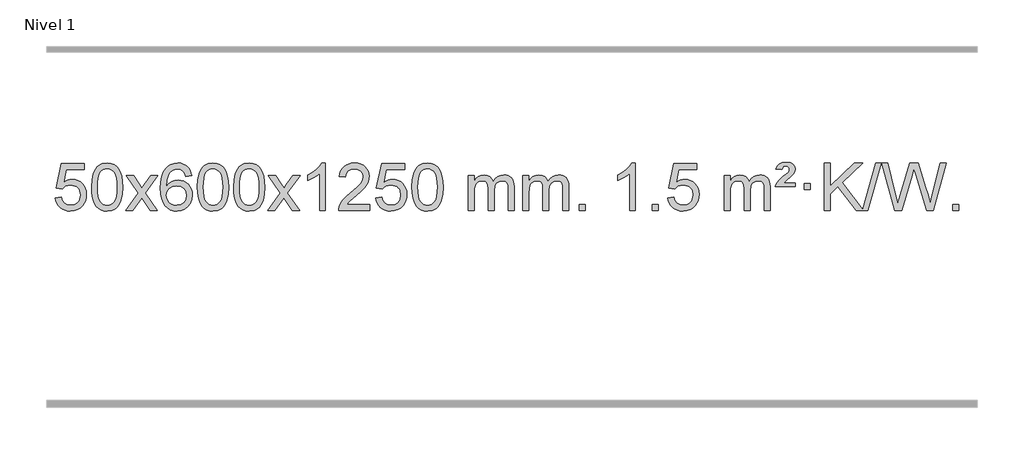
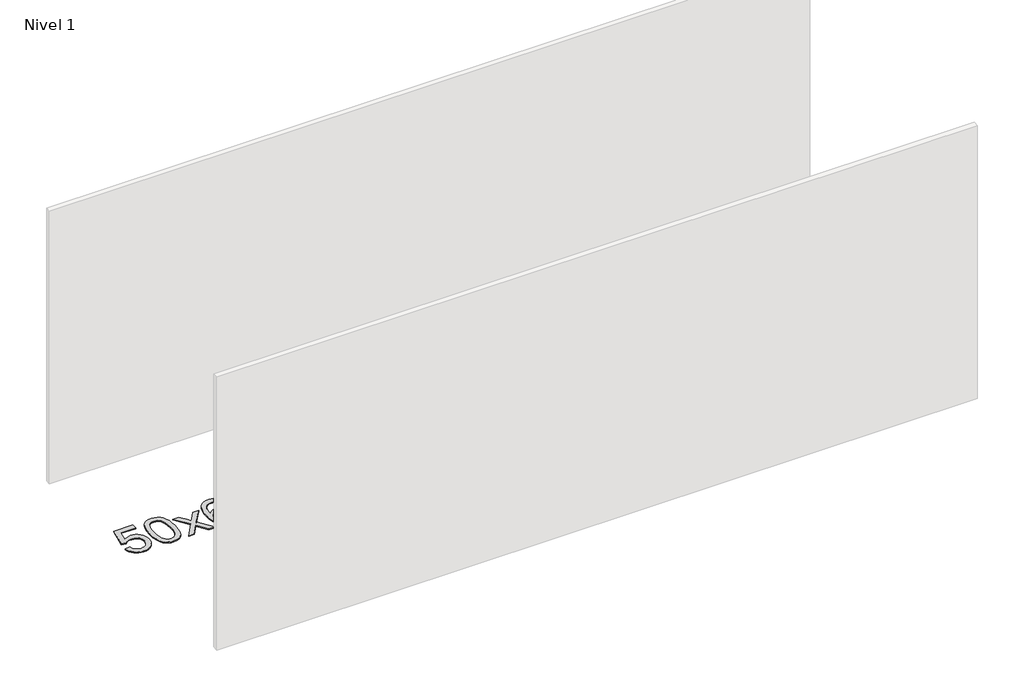
# One storey, part 8 of 9: 1 proxy.
"""IFC4 building model written with IfcOpenShell, lengths in millimetres."""

from ifc_helpers import new_model, si_unit, origin, origin_with_axes, place, context, project, spatial, polyline, outline, extrude, element, save

model = new_model("IFC4")

# Units and contexts
model_context = context("Model", 3, world=origin())
ifc_project = project(units=[si_unit("LENGTHUNIT", "METRE", prefix="MILLI")], contexts=[model_context])

# Site, building, storey
site = spatial("IfcSite", under=ifc_project)
building = spatial("IfcBuilding", under=site)
storey = spatial("IfcBuildingStorey", under=building, Name="Nivel 1", Elevation=0.0)

# Proxy
placement = place(None, origin())
element("IfcBuildingElementProxy", 1, Name="Texto de modelo 1", ObjectType="Texto de modelo 1", at=placement, inside=storey, context=model_context, shape_type="SweptSolid", body=[
    extrude(outline(polyline([(-6456.1697105, -284.8446235), (-6405.9415554, -278.5661041), (-6396.71998, -308.7201649), (-6380.6312741, -330.3148381), (-6357.749014, -343.3010725), (-6328.1467761, -347.6298173), (-6309.0169124, -346.1245668), (-6292.1433915, -341.6088153), (-6277.5262136, -334.0825628), (-6265.1653786, -323.5458094), (-6255.3367979, -310.519721), (-6248.3163832, -295.5254641), (-6242.7000514, -259.6324441), (-6247.9607639, -225.8363514), (-6254.5366546, -211.9181493), (-6263.7429015, -199.9865099), (-6275.6101615, -190.4154467), (-6290.1690915, -183.5789729), (-6327.3619612, -178.1097939), (-6351.728012, -180.2925604), (-6371.4587497, -186.8408599), (-6387.2163618, -196.8717757), (-6399.663036, -209.5023908), (-6449.8911911, -203.2238715), (-6405.9415554, 3.9672682), (-6211.3074545, 3.9672682), (-6211.3074545, -46.2608869), (-6365.3273831, -46.2608869), (-6386.8116916, -156.919791), (-6369.0859108, -144.2155994), (-6350.9309344, -135.1411769), (-6332.3467623, -129.6965234), (-6313.3333945, -127.8816388), (-6288.8723075, -130.1318504), (-6266.4039146, -136.882485), (-6245.9282159, -148.1335427), (-6227.4452113, -163.8850234), (-6212.144386, -183.1743027), (-6201.2152251, -205.038756), (-6194.6577285, -229.4783832), (-6192.4718963, -256.4931844), (-6194.440065, -282.5147042), (-6200.344571, -306.7213394), (-6210.1854144, -329.1130902), (-6223.9625951, -349.6899565), (-6244.833767, -370.7634634), (-6269.187555, -385.8159684), (-6297.0239593, -394.8474714), (-6328.3429799, -397.8579724), (-6354.2633321, -395.9235262), (-6377.6759554, -390.1201877), (-6398.5808498, -380.447957), (-6416.9780152, -366.9068338), (-6432.2849719, -350.1712688), (-6443.91924, -330.915712), (-6451.8808195, -309.1401636), (-6456.1697105, -284.8446235)])), origin_with_axes(), (0.0, 0.0, 1.0), 10.0),
    extrude(outline(polyline([(-6148.5222606, -193.9041943), (-6144.8311779, -129.5861588), (-6133.7579299, -78.2911459), (-6115.4128811, -39.2343407), (-6103.5548181, -24.0009605), (-6089.9063961, -11.6309284), (-6074.4216298, -2.0598651), (-6057.0545339, 4.7766086), (-6016.6733536, 10.2457876), (-5985.722215, 7.008426), (-5958.0084381, -2.7036586), (-5934.8318724, -18.5103217), (-5917.4923677, -40.0314184), (-5904.3957686, -67.0830078), (-5893.94792, -99.4811488), (-5887.1053149, -140.6226186), (-5884.8244465, -193.9041943), (-5888.478741, -257.8543477), (-5899.4416244, -309.0267333), (-5917.6763087, -348.1203266), (-5929.5067805, -363.3996922), (-5943.1460055, -375.8341036), (-5958.6491659, -385.4695462), (-5976.071444, -392.3520052), (-6016.6733536, -397.8579724), (-6044.3380796, -395.4667394), (-6068.8635459, -388.2930405), (-6090.2497526, -376.3368757), (-6108.4966996, -359.5982449), (-6126.0078825, -329.3399508), (-6138.5158704, -291.6381776), (-6146.0206631, -246.4929255), (-6148.5222606, -193.9041943)]), holes=[polyline([(-6098.2941056, -193.8060924), (-6096.8225776, -237.4706195), (-6092.4079936, -272.8148822), (-6085.0503537, -299.8388804), (-6074.7496579, -318.5426142), (-6062.290721, -331.2682656), (-6048.4583579, -340.3580165), (-6033.2525688, -345.8118671), (-6016.6733536, -347.6298173), (-6000.0941383, -345.8057357), (-5984.8883492, -340.3334911), (-5971.0559862, -331.2130833), (-5958.5970493, -318.4445124), (-5948.2963534, -299.7101217), (-5940.9387135, -272.6922549), (-5936.5241295, -237.3909118), (-5935.0526016, -193.8060924), (-5936.4750786, -151.2973278), (-5940.7425098, -116.5753989), (-5947.854895, -89.6403055), (-5957.8122343, -70.4920476), (-5970.0627048, -57.1440625), (-5984.0544833, -47.6097875), (-5999.78757, -41.8892225), (-6017.2619648, -39.9823675), (-6033.7553409, -41.6623619), (-6048.7036126, -46.7023452), (-6062.10678, -55.1023175), (-6073.9648429, -66.8622786), (-6084.6088953, -87.708925), (-6092.2117899, -115.8151094), (-6096.7735266, -151.1808319), (-6098.2941056, -193.8060924)])]), origin_with_axes(), (0.0, 0.0, 1.0), 10.0),
    extrude(outline(polyline([(-5859.7103689, -391.579453), (-5752.3869282, -243.2494325), (-5853.4318496, -96.4890419), (-5793.0011005, -96.4890419), (-5744.2444734, -167.122385), (-5721.4848406, -200.4770192), (-5701.7663657, -173.2047007), (-5646.2407099, -96.4890419), (-5585.8099608, -96.4890419), (-5691.9561791, -243.2494325), (-5589.7340354, -391.579453), (-5650.1647845, -391.579453), (-5711.6746541, -302.4048574), (-5722.9563686, -286.1199477), (-5799.2796199, -391.579453), (-5859.7103689, -391.579453)])), origin_with_axes(), (0.0, 0.0, 1.0), 10.0),
    extrude(outline(polyline([(-5300.9221437, -96.4890419), (-5351.1502988, -102.7675613), (-5359.2437027, -77.874213), (-5370.1820607, -60.8780648), (-5392.9662189, -45.2062918), (-5420.5083176, -39.9823675), (-5443.8565616, -43.0235253), (-5465.8313794, -52.1469988), (-5484.7037258, -71.3627017), (-5500.1179814, -97.8134171), (-5510.5290419, -135.227016), (-5514.3918028, -187.3313693), (-5494.2441322, -163.8237098), (-5470.0988106, -147.2567573), (-5443.3047386, -137.434308), (-5415.2108169, -134.1601582), (-5391.077758, -136.398107), (-5368.8086346, -143.1119534), (-5348.4034466, -154.3016975), (-5329.862194, -169.9673391), (-5314.4540698, -189.1769106), (-5303.4482668, -210.9984443), (-5296.844785, -235.4319401), (-5294.6436244, -262.4773982), (-5298.7884282, -298.4439945), (-5311.2228396, -331.786366), (-5330.9167891, -360.0642287), (-5356.840207, -380.8372987), (-5387.815871, -393.602804), (-5422.6665587, -397.8579724), (-5452.6090874, -395.0375437), (-5479.6514797, -386.5762579), (-5503.7937357, -372.4741147), (-5525.0358552, -352.7311143), (-5542.3539001, -326.5133908), (-5554.7239322, -292.9870783), (-5562.1459515, -252.1521768), (-5564.6199579, -204.0086864), (-5561.8731057, -150.0342663), (-5553.632549, -103.9693092), (-5539.8982878, -65.8138149), (-5520.6703222, -35.5677835), (-5499.8298072, -15.5243462), (-5475.6660915, -1.2076052), (-5448.179175, 7.3824394), (-5417.3690579, 10.2457876), (-5394.2354118, 8.4738227), (-5373.2967949, 3.1579278), (-5354.5532073, -5.7018969), (-5338.0046489, -18.1056515), (-5324.0987094, -33.6364031), (-5313.2829788, -51.8772186), (-5305.5574569, -72.8280983), (-5300.9221437, -96.4890419)]), holes=[polyline([(-5514.3918028, -261.6925832), (-5511.485535, -283.9494439), (-5502.7667318, -305.2007605), (-5489.2286743, -323.472233), (-5471.8646442, -336.7895612), (-5450.9076332, -344.9197533), (-5426.5906333, -347.6298173), (-5393.4444655, -342.0134855), (-5379.5293291, -334.9930708), (-5367.3861575, -325.1644901), (-5357.5361171, -312.9262824), (-5350.500374, -298.6769865), (-5344.8717794, -264.1451299), (-5350.4267976, -230.9989621), (-5357.3705702, -217.3781312), (-5367.0918519, -205.725469), (-5379.2718117, -196.3904634), (-5393.5916183, -189.7226022), (-5428.6507725, -184.3883133), (-5461.7478893, -189.7226022), (-5489.4248781, -205.725469), (-5500.3479076, -217.2248471), (-5508.1500716, -230.3858254), (-5512.83137, -245.2084042), (-5514.3918028, -261.6925832)])]), origin_with_axes(), (0.0, 0.0, 1.0), 10.0),
    extrude(outline(polyline([(-5250.6939887, -193.9041943), (-5247.002906, -129.5861588), (-5235.9296579, -78.2911459), (-5217.5846091, -39.2343407), (-5205.7265461, -24.0009605), (-5192.0781241, -11.6309284), (-5176.5933578, -2.0598651), (-5159.2262619, 4.7766086), (-5118.8450816, 10.2457876), (-5087.8939431, 7.008426), (-5060.1801661, -2.7036586), (-5037.0036004, -18.5103217), (-5019.6640957, -40.0314184), (-5006.5674967, -67.0830078), (-4996.119648, -99.4811488), (-4989.2770429, -140.6226186), (-4986.9961745, -193.9041943), (-4990.650469, -257.8543477), (-5001.6133525, -309.0267333), (-5019.8480367, -348.1203266), (-5031.6785085, -363.3996922), (-5045.3177335, -375.8341036), (-5060.8208939, -385.4695462), (-5078.2431721, -392.3520052), (-5118.8450816, -397.8579724), (-5146.5098076, -395.4667394), (-5171.035274, -388.2930405), (-5192.4214806, -376.3368757), (-5210.6684276, -359.5982449), (-5228.1796106, -329.3399508), (-5240.6875984, -291.6381776), (-5248.1923911, -246.4929255), (-5250.6939887, -193.9041943)]), holes=[polyline([(-5200.4658336, -193.8060924), (-5198.9943056, -237.4706195), (-5194.5797217, -272.8148822), (-5187.2220818, -299.8388804), (-5176.9213859, -318.5426142), (-5164.462449, -331.2682656), (-5150.630086, -340.3580165), (-5135.4242968, -345.8118671), (-5118.8450816, -347.6298173), (-5102.2658663, -345.8057357), (-5087.0600772, -340.3334911), (-5073.2277142, -331.2130833), (-5060.7687773, -318.4445124), (-5050.4680814, -299.7101217), (-5043.1104415, -272.6922549), (-5038.6958576, -237.3909118), (-5037.2243296, -193.8060924), (-5038.6468066, -151.2973278), (-5042.9142378, -116.5753989), (-5050.026623, -89.6403055), (-5059.9839624, -70.4920476), (-5072.2344328, -57.1440625), (-5086.2262114, -47.6097875), (-5101.959298, -41.8892225), (-5119.4336928, -39.9823675), (-5135.9270689, -41.6623619), (-5150.8753406, -46.7023452), (-5164.278508, -55.1023175), (-5176.136571, -66.8622786), (-5186.7806234, -87.708925), (-5194.3835179, -115.8151094), (-5198.9452547, -151.1808319), (-5200.4658336, -193.8060924)])]), origin_with_axes(), (0.0, 0.0, 1.0), 10.0),
    extrude(outline(polyline([(-4943.0465388, -193.9041943), (-4939.3554561, -129.5861588), (-4928.2822081, -78.2911459), (-4909.9371593, -39.2343407), (-4898.0790963, -24.0009605), (-4884.4306743, -11.6309284), (-4868.945908, -2.0598651), (-4851.5788121, 4.7766086), (-4811.1976318, 10.2457876), (-4780.2464932, 7.008426), (-4752.5327163, -2.7036586), (-4729.3561506, -18.5103217), (-4712.0166459, -40.0314184), (-4698.9200468, -67.0830078), (-4688.4721982, -99.4811488), (-4681.6295931, -140.6226186), (-4679.3487247, -193.9041943), (-4683.0030192, -257.8543477), (-4693.9659026, -309.0267333), (-4712.2005869, -348.1203266), (-4724.0310587, -363.3996922), (-4737.6702837, -375.8341036), (-4753.1734441, -385.4695462), (-4770.5957222, -392.3520052), (-4811.1976318, -397.8579724), (-4838.8623578, -395.4667394), (-4863.3878241, -388.2930405), (-4884.7740308, -376.3368757), (-4903.0209778, -359.5982449), (-4920.5321607, -329.3399508), (-4933.0401486, -291.6381776), (-4940.5449413, -246.4929255), (-4943.0465388, -193.9041943)]), holes=[polyline([(-4892.8183838, -193.8060924), (-4891.3468558, -237.4706195), (-4886.9322718, -272.8148822), (-4879.5746319, -299.8388804), (-4869.2739361, -318.5426142), (-4856.8149992, -331.2682656), (-4842.9826361, -340.3580165), (-4827.776847, -345.8118671), (-4811.1976318, -347.6298173), (-4794.6184165, -345.8057357), (-4779.4126274, -340.3334911), (-4765.5802644, -331.2130833), (-4753.1213275, -318.4445124), (-4742.8206316, -299.7101217), (-4735.4629917, -272.6922549), (-4731.0484077, -237.3909118), (-4729.5768798, -193.8060924), (-4730.9993568, -151.2973278), (-4735.266788, -116.5753989), (-4742.3791732, -89.6403055), (-4752.3365125, -70.4920476), (-4764.586983, -57.1440625), (-4778.5787615, -47.6097875), (-4794.3118482, -41.8892225), (-4811.786243, -39.9823675), (-4828.2796191, -41.6623619), (-4843.2278908, -46.7023452), (-4856.6310582, -55.1023175), (-4868.4891211, -66.8622786), (-4879.1331735, -87.708925), (-4886.7360681, -115.8151094), (-4891.2978048, -151.1808319), (-4892.8183838, -193.8060924)])]), origin_with_axes(), (0.0, 0.0, 1.0), 10.0),
    extrude(outline(polyline([(-4654.2346472, -391.579453), (-4546.9112064, -243.2494325), (-4647.9561278, -96.4890419), (-4587.5253787, -96.4890419), (-4538.7687516, -167.122385), (-4516.0091188, -200.4770192), (-4496.2906439, -173.2047007), (-4440.7649881, -96.4890419), (-4380.334239, -96.4890419), (-4486.4804574, -243.2494325), (-4384.2583136, -391.579453), (-4444.6890627, -391.579453), (-4506.1989323, -302.4048574), (-4517.4806468, -286.1199477), (-4593.8038981, -391.579453), (-4654.2346472, -391.579453)])), origin_with_axes(), (0.0, 0.0, 1.0), 10.0),
    extrude(outline(polyline([(-4164.5101352, -391.579453), (-4214.7382902, -391.579453), (-4214.7382902, -78.4382987), (-4235.707564, -95.3976587), (-4262.317695, -112.3324932), (-4315.1946004, -137.6918254), (-4315.1946004, -90.2105225), (-4275.7453878, -68.7507395), (-4241.5691504, -43.219729), (-4214.6279257, -16.0700378), (-4196.8837508, 10.2457876), (-4164.5101352, 10.2457876), (-4164.5101352, -391.579453)])), origin_with_axes(), (0.0, 0.0, 1.0), 10.0),
    extrude(outline(polyline([(-3787.7989721, -341.3512979), (-3787.7989721, -391.579453), (-4051.4967863, -391.579453), (-4050.3931403, -373.8965918), (-4046.1011837, -356.9494945), (-4033.7158232, -329.8856424), (-4015.5915035, -303.6311307), (-3989.37378, -276.1503456), (-3952.7082078, -245.4076736), (-3898.5069272, -197.2641831), (-3865.9861588, -161.7267824), (-3849.7257746, -132.884834), (-3844.3056466, -104.8277005), (-3849.4192063, -79.6768347), (-3864.7598855, -58.7688747), (-3888.3411214, -44.6789943), (-3918.1763512, -39.9823675), (-3949.5076345, -44.5686297), (-3973.8491598, -58.3274163), (-3989.557721, -80.1796068), (-3994.9901118, -109.0460807), (-4045.2182669, -102.7675613), (-4040.8987191, -76.838012), (-4033.0413728, -54.1826125), (-4021.646228, -34.8013627), (-4006.7132847, -18.6942627), (-3988.5858994, -6.0329907), (-3967.6074286, 3.010775), (-3943.7778724, 8.4370345), (-3917.0972307, 10.2457876), (-3890.1774657, 8.2346994), (-3866.2191508, 2.2014346), (-3845.2222859, -7.8540066), (-3827.1868711, -21.9316242), (-3812.7015175, -38.9890861), (-3802.3548364, -57.9840598), (-3796.1468277, -78.9165453), (-3794.0774915, -101.7865427), (-3796.3093089, -125.8092369), (-3803.0047612, -149.4149983), (-3814.8873497, -173.4254299), (-3832.6805755, -198.6621347), (-3861.0442774, -228.7916701), (-3904.6382938, -267.4805933), (-3962.4202925, -315.795762), (-3985.0818234, -341.3512979), (-3787.7989721, -341.3512979)])), origin_with_axes(), (0.0, 0.0, 1.0), 10.0),
    extrude(outline(polyline([(-3737.570817, -284.8446235), (-3687.342662, -278.5661041), (-3678.1210866, -308.7201649), (-3662.0323807, -330.3148381), (-3639.1501206, -343.3010725), (-3609.5478827, -347.6298173), (-3590.418019, -346.1245668), (-3573.5444981, -341.6088153), (-3558.9273202, -334.0825628), (-3546.5664851, -323.5458094), (-3536.7379045, -310.519721), (-3529.7174898, -295.5254641), (-3524.101158, -259.6324441), (-3529.3618705, -225.8363514), (-3535.9377612, -211.9181493), (-3545.1440081, -199.9865099), (-3557.0112681, -190.4154467), (-3571.5701981, -183.5789729), (-3608.7630678, -178.1097939), (-3633.1291186, -180.2925604), (-3652.8598563, -186.8408599), (-3668.6174684, -196.8717757), (-3681.0641426, -209.5023908), (-3731.2922977, -203.2238715), (-3687.342662, 3.9672682), (-3492.708561, 3.9672682), (-3492.708561, -46.2608869), (-3646.7284897, -46.2608869), (-3668.2127982, -156.919791), (-3650.4870174, -144.2155994), (-3632.332041, -135.1411769), (-3613.7478688, -129.6965234), (-3594.734501, -127.8816388), (-3570.273414, -130.1318504), (-3547.8050212, -136.882485), (-3527.3293225, -148.1335427), (-3508.8463179, -163.8850234), (-3493.5454926, -183.1743027), (-3482.6163316, -205.038756), (-3476.0588351, -229.4783832), (-3473.8730029, -256.4931844), (-3475.8411716, -282.5147042), (-3481.7456776, -306.7213394), (-3491.586521, -329.1130902), (-3505.3637017, -349.6899565), (-3526.2348735, -370.7634634), (-3550.5886616, -385.8159684), (-3578.4250659, -394.8474714), (-3609.7440864, -397.8579724), (-3635.6644387, -395.9235262), (-3659.077062, -390.1201877), (-3679.9819564, -380.447957), (-3698.3791218, -366.9068338), (-3713.6860785, -350.1712688), (-3725.3203466, -330.915712), (-3733.2819261, -309.1401636), (-3737.570817, -284.8446235)])), origin_with_axes(), (0.0, 0.0, 1.0), 10.0),
    extrude(outline(polyline([(-3429.9233672, -193.9041943), (-3426.2322845, -129.5861588), (-3415.1590365, -78.2911459), (-3396.8139876, -39.2343407), (-3384.9559247, -24.0009605), (-3371.3075026, -11.6309284), (-3355.8227363, -2.0598651), (-3338.4556405, 4.7766086), (-3298.0744601, 10.2457876), (-3267.1233216, 7.008426), (-3239.4095446, -2.7036586), (-3216.2329789, -18.5103217), (-3198.8934742, -40.0314184), (-3185.7968752, -67.0830078), (-3175.3490265, -99.4811488), (-3168.5064214, -140.6226186), (-3166.2255531, -193.9041943), (-3169.8798475, -257.8543477), (-3180.842731, -309.0267333), (-3199.0774152, -348.1203266), (-3210.9078871, -363.3996922), (-3224.547112, -375.8341036), (-3240.0502724, -385.4695462), (-3257.4725506, -392.3520052), (-3298.0744601, -397.8579724), (-3325.7391862, -395.4667394), (-3350.2646525, -388.2930405), (-3371.6508592, -376.3368757), (-3389.8978061, -359.5982449), (-3407.4089891, -329.3399508), (-3419.9169769, -291.6381776), (-3427.4217696, -246.4929255), (-3429.9233672, -193.9041943)]), holes=[polyline([(-3379.6952121, -193.8060924), (-3378.2236842, -237.4706195), (-3373.8091002, -272.8148822), (-3366.4514603, -299.8388804), (-3356.1507644, -318.5426142), (-3343.6918275, -331.2682656), (-3329.8594645, -340.3580165), (-3314.6536754, -345.8118671), (-3298.0744601, -347.6298173), (-3281.4952449, -345.8057357), (-3266.2894558, -340.3334911), (-3252.4570927, -331.2130833), (-3239.9981558, -318.4445124), (-3229.69746, -299.7101217), (-3222.3398201, -272.6922549), (-3217.9252361, -237.3909118), (-3216.4537081, -193.8060924), (-3217.8761852, -151.2973278), (-3222.1436163, -116.5753989), (-3229.2560016, -89.6403055), (-3239.2133409, -70.4920476), (-3251.4638113, -57.1440625), (-3265.4555899, -47.6097875), (-3281.1886766, -41.8892225), (-3298.6630713, -39.9823675), (-3315.1564474, -41.6623619), (-3330.1047192, -46.7023452), (-3343.5078865, -55.1023175), (-3355.3659495, -66.8622786), (-3366.0100019, -87.708925), (-3373.6128965, -115.8151094), (-3378.1746332, -151.1808319), (-3379.6952121, -193.8060924)])]), origin_with_axes(), (0.0, 0.0, 1.0), 10.0),
    extrude(outline(polyline([(-2952.755894, -391.579453), (-2952.755894, -96.4890419), (-2902.5277389, -96.4890419), (-2902.5277389, -145.0494653), (-2887.4200517, -122.7435537), (-2867.9958823, -105.2691589), (-2844.9174185, -93.9751816), (-2818.8468478, -90.2105225), (-2790.9123416, -94.048758), (-2768.5205908, -105.5634645), (-2751.7942228, -123.9943524), (-2740.8558648, -148.5811324), (-2722.5476041, -123.0439906), (-2701.6641696, -104.803175), (-2678.205561, -93.8586857), (-2652.1717785, -90.2105225), (-2632.0639617, -91.7280358), (-2614.414823, -96.2805755), (-2599.2243623, -103.8681416), (-2586.4925796, -114.4907342), (-2576.4279413, -128.2709806), (-2569.238914, -145.3315082), (-2564.9254976, -165.6723168), (-2563.4876922, -189.2934066), (-2563.4876922, -391.579453), (-2613.7158472, -391.579453), (-2613.7158472, -210.875817), (-2614.8808069, -185.8230531), (-2618.3756858, -168.9372695), (-2624.9239854, -157.3735121), (-2635.2492067, -148.2868268), (-2648.5297467, -142.4007149), (-2663.9440023, -140.4386776), (-2691.1550072, -145.4663982), (-2713.3382915, -160.54956), (-2721.9436645, -172.1194488), (-2728.0903595, -186.7182326), (-2733.0077155, -225.0024856), (-2733.0077155, -391.579453), (-2783.2358706, -391.579453), (-2783.2358706, -205.2840106), (-2786.1421384, -176.8835206), (-2794.8609417, -156.6254854), (-2810.2016209, -144.4853796), (-2832.9735164, -140.4386776), (-2852.3241093, -143.1364789), (-2870.1541233, -151.2298828), (-2884.8694032, -164.5226856), (-2894.8757934, -182.8186835), (-2900.6147525, -208.2025411), (-2902.5277389, -242.7589232), (-2902.5277389, -391.579453), (-2952.755894, -391.579453)])), origin_with_axes(), (0.0, 0.0, 1.0), 10.0),
    extrude(outline(polyline([(-2488.1454596, -391.579453), (-2488.1454596, -96.4890419), (-2437.9173045, -96.4890419), (-2437.9173045, -145.0494653), (-2422.8096172, -122.7435537), (-2403.3854479, -105.2691589), (-2380.306984, -93.9751816), (-2354.2364133, -90.2105225), (-2326.3019071, -94.048758), (-2303.9101564, -105.5634645), (-2287.1837883, -123.9943524), (-2276.2454303, -148.5811324), (-2257.9371697, -123.0439906), (-2237.0537351, -104.803175), (-2213.5951266, -93.8586857), (-2187.561344, -90.2105225), (-2167.4535273, -91.7280358), (-2149.8043886, -96.2805755), (-2134.6139279, -103.8681416), (-2121.8821452, -114.4907342), (-2111.8175069, -128.2709806), (-2104.6284796, -145.3315082), (-2100.3150632, -165.6723168), (-2098.8772577, -189.2934066), (-2098.8772577, -391.579453), (-2149.1054128, -391.579453), (-2149.1054128, -210.875817), (-2150.2703724, -185.8230531), (-2153.7652514, -168.9372695), (-2160.3135509, -157.3735121), (-2170.6387722, -148.2868268), (-2183.9193123, -142.4007149), (-2199.3335679, -140.4386776), (-2226.5445728, -145.4663982), (-2248.7278571, -160.54956), (-2257.3332301, -172.1194488), (-2263.4799251, -186.7182326), (-2268.3972811, -225.0024856), (-2268.3972811, -391.579453), (-2318.6254362, -391.579453), (-2318.6254362, -205.2840106), (-2321.5317039, -176.8835206), (-2330.2505072, -156.6254854), (-2345.5911864, -144.4853796), (-2368.3630819, -140.4386776), (-2387.7136749, -143.1364789), (-2405.5436889, -151.2298828), (-2420.2589687, -164.5226856), (-2430.265359, -182.8186835), (-2436.0043181, -208.2025411), (-2437.9173045, -242.7589232), (-2437.9173045, -391.579453), (-2488.1454596, -391.579453)])), origin_with_axes(), (0.0, 0.0, 1.0), 10.0),
    extrude(outline(polyline([(-2010.9779863, -391.579453), (-2010.9779863, -341.3512979), (-1960.7498313, -341.3512979), (-1960.7498313, -391.579453), (-2010.9779863, -391.579453)])), origin_with_axes(), (0.0, 0.0, 1.0), 10.0),
    extrude(outline(polyline([(-1533.8105131, -391.579453), (-1584.0386682, -391.579453), (-1584.0386682, -78.4382987), (-1605.0079419, -95.3976587), (-1631.6180729, -112.3324932), (-1684.4949784, -137.6918254), (-1684.4949784, -90.2105225), (-1645.0457657, -68.7507395), (-1610.8695284, -43.219729), (-1583.9283036, -16.0700378), (-1566.1841287, 10.2457876), (-1533.8105131, 10.2457876), (-1533.8105131, -391.579453)])), origin_with_axes(), (0.0, 0.0, 1.0), 10.0),
    extrude(outline(polyline([(-1389.4045673, -391.579453), (-1389.4045673, -341.3512979), (-1339.1764122, -341.3512979), (-1339.1764122, -391.579453), (-1389.4045673, -391.579453)])), origin_with_axes(), (0.0, 0.0, 1.0), 10.0),
    extrude(outline(polyline([(-1257.5556602, -284.8446235), (-1207.3275051, -278.5661041), (-1198.1059298, -308.7201649), (-1182.0172239, -330.3148381), (-1159.1349638, -343.3010725), (-1129.5327259, -347.6298173), (-1110.4028621, -346.1245668), (-1093.5293413, -341.6088153), (-1078.9121634, -334.0825628), (-1066.5513283, -323.5458094), (-1056.7227477, -310.519721), (-1049.7023329, -295.5254641), (-1044.0860012, -259.6324441), (-1049.3467137, -225.8363514), (-1055.9226043, -211.9181493), (-1065.1288513, -199.9865099), (-1076.9961113, -190.4154467), (-1091.5550413, -183.5789729), (-1128.747911, -178.1097939), (-1153.1139618, -180.2925604), (-1172.8446995, -186.8408599), (-1188.6023116, -196.8717757), (-1201.0489858, -209.5023908), (-1251.2771408, -203.2238715), (-1207.3275051, 3.9672682), (-1012.6934042, 3.9672682), (-1012.6934042, -46.2608869), (-1166.7133329, -46.2608869), (-1188.1976414, -156.919791), (-1170.4718606, -144.2155994), (-1152.3168841, -135.1411769), (-1133.732712, -129.6965234), (-1114.7193442, -127.8816388), (-1090.2582572, -130.1318504), (-1067.7898644, -136.882485), (-1047.3141657, -148.1335427), (-1028.8311611, -163.8850234), (-1013.5303358, -183.1743027), (-1002.6011748, -205.038756), (-996.0436783, -229.4783832), (-993.8578461, -256.4931844), (-995.8260148, -282.5147042), (-1001.7305208, -306.7213394), (-1011.5713641, -329.1130902), (-1025.3485449, -349.6899565), (-1046.2197167, -370.7634634), (-1070.5735048, -385.8159684), (-1098.4099091, -394.8474714), (-1129.7289296, -397.8579724), (-1155.6492819, -395.9235262), (-1179.0619052, -390.1201877), (-1199.9667996, -380.447957), (-1218.363965, -366.9068338), (-1233.6709217, -350.1712688), (-1245.3051898, -330.915712), (-1253.2667693, -309.1401636), (-1257.5556602, -284.8446235)])), origin_with_axes(), (0.0, 0.0, 1.0), 10.0),
    extrude(outline(polyline([(-780.388187, -391.579453), (-780.388187, -96.4890419), (-730.1600319, -96.4890419), (-730.1600319, -145.0494653), (-715.0523447, -122.7435537), (-695.6281753, -105.2691589), (-672.5497115, -93.9751816), (-646.4791408, -90.2105225), (-618.5446346, -94.048758), (-596.1528838, -105.5634645), (-579.4265158, -123.9943524), (-568.4881578, -148.5811324), (-550.1798972, -123.0439906), (-529.2964626, -104.803175), (-505.837854, -93.8586857), (-479.8040715, -90.2105225), (-459.6962548, -91.7280358), (-442.047116, -96.2805755), (-426.8566553, -103.8681416), (-414.1248726, -114.4907342), (-404.0602344, -128.2709806), (-396.871207, -145.3315082), (-392.5577906, -165.6723168), (-391.1199852, -189.2934066), (-391.1199852, -391.579453), (-441.3481403, -391.579453), (-441.3481403, -210.875817), (-442.5130999, -185.8230531), (-446.0079789, -168.9372695), (-452.5562784, -157.3735121), (-462.8814997, -148.2868268), (-476.1620397, -142.4007149), (-491.5762953, -140.4386776), (-518.7873002, -145.4663982), (-540.9705845, -160.54956), (-549.5759576, -172.1194488), (-555.7226526, -186.7182326), (-560.6400086, -225.0024856), (-560.6400086, -391.579453), (-610.8681636, -391.579453), (-610.8681636, -205.2840106), (-613.7744314, -176.8835206), (-622.4932347, -156.6254854), (-637.8339139, -144.4853796), (-660.6058094, -140.4386776), (-679.9564023, -143.1364789), (-697.7864164, -151.2298828), (-712.5016962, -164.5226856), (-722.5080864, -182.8186835), (-728.2470456, -208.2025411), (-730.1600319, -242.7589232), (-730.1600319, -391.579453), (-780.388187, -391.579453)])), origin_with_axes(), (0.0, 0.0, 1.0), 10.0),
    extrude(outline(polyline([(-347.1703495, -190.6668327), (-343.3443767, -174.8479069), (-335.0057182, -158.9799302), (-313.4968842, -133.8413272), (-281.5402016, -106.1030247), (-237.3943621, -68.726214), (-230.2574514, -57.1992448), (-227.8784812, -45.3779701), (-229.7669421, -33.2869152), (-235.4323248, -23.5012541), (-244.801053, -17.026531), (-257.7995501, -14.8682899), (-270.2339616, -16.4869707), (-279.0876549, -21.343013), (-285.5133271, -30.8098431), (-290.663675, -46.2608869), (-340.8918301, -39.9823675), (-330.051574, -14.7701881), (-313.4233078, 2.7900458), (-289.6581309, 13.0907417), (-257.4071427, 16.524307), (-221.6244873, 12.3917659), (-196.8782917, -0.0058573), (-182.4573175, -18.3386434), (-177.6503261, -40.2766731), (-181.746079, -63.1834586), (-194.0333376, -84.8149199), (-214.561153, -104.6314968), (-251.0305214, -132.6886303), (-276.6351083, -159.2742358), (-177.6503261, -159.2742358), (-177.6503261, -190.6668327), (-347.1703495, -190.6668327)])), origin_with_axes(), (0.0, 0.0, 1.0), 10.0),
    extrude(outline(polyline([(-102.3080935, -215.7809102), (-102.3080935, -165.5527552), (-52.0799384, -165.5527552), (-52.0799384, -215.7809102), (-102.3080935, -215.7809102)])), origin_with_axes(), (0.0, 0.0, 1.0), 10.0),
    extrude(outline(polyline([(338.5616895, -391.579453), (185.1303721, -188.9009991), (117.440085, -253.4520265), (117.440085, -391.579453), (67.2119299, -391.579453), (67.2119299, 10.2457876), (117.440085, 10.2457876), (117.440085, -186.4484525), (323.4540023, 10.2457876), (393.6949379, 10.2457876), (220.7413492, -154.9577537), (395.3949591, -385.5349332), (506.7082868, 10.2457876), (552.0313486, 10.2457876), (439.0179997, -391.579453), (399.9734572, -391.579453), (393.6949379, -391.579453), (338.5616895, -391.579453)])), origin_with_axes(), (0.0, 0.0, 1.0), 10.0),
    extrude(outline(polyline([(666.5162255, -391.579453), (556.9364419, 10.2457876), (608.7342268, 10.2457876), (672.3042355, -253.844434), (691.9246086, -335.3670841), (712.9184078, -263.2622131), (792.5771225, 10.2457876), (867.2326421, 10.2457876), (925.1127426, -188.0180823), (949.9079891, -261.5944814), (968.1794615, -335.3670841), (987.2112234, -256.1988788), (1051.3698434, 10.2457876), (1103.1676283, 10.2457876), (993.4897428, -391.579453), (939.8280224, -391.579453), (843.4919906, -81.5775584), (830.0520351, -38.3146358), (814.9443478, -90.4067263), (727.1431783, -391.579453), (666.5162255, -391.579453)])), origin_with_axes(), (0.0, 0.0, 1.0), 10.0),
    extrude(outline(polyline([(1159.6743028, -391.579453), (1159.6743028, -341.3512979), (1209.9024578, -341.3512979), (1209.9024578, -391.579453), (1159.6743028, -391.579453)])), origin_with_axes(), (0.0, 0.0, 1.0), 10.0),
])

save(model, "model.ifc")
